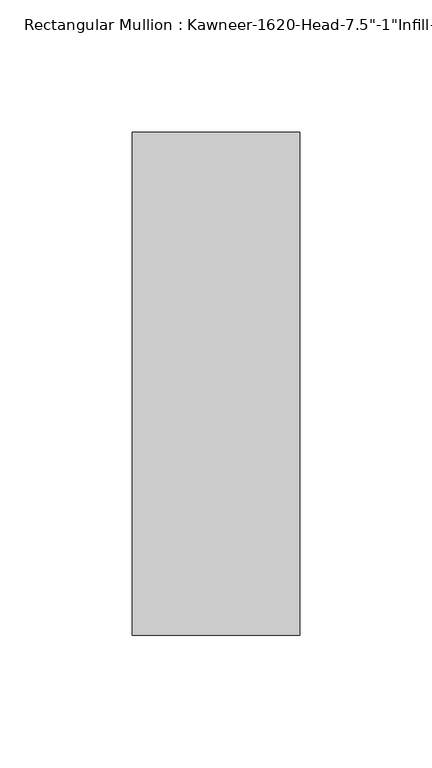
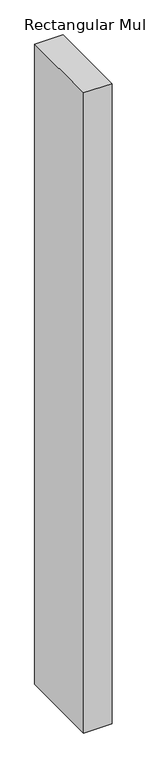
"""IFC4 building model written with IfcOpenShell, lengths in millimetres: member geometry."""

from ifc_helpers import new_model, si_unit, frame, origin, place, context, project, spatial, polyline, outline, extrude, source, transform, mapped, element, save


def member_db8a4414(model_context):
    return source(origin(), model_context, "Body", "SweptSolid", [
        extrude(outline(polyline([(-22.225, 38.1), (41.275, 38.1), (41.275, -152.4), (-22.225, -152.4), (-22.225, 38.1)])), frame((0.0, 0.0, -1518.5182369), z_axis=(0.0, 0.0, 1.0), x_axis=(1.0, 0.0, 0.0)), (0.0, 0.0, 1.0), 1518.5182369),
    ])


if __name__ == "__main__":
    model = new_model("IFC4")
    model_context = context("Model", 3, world=origin())
    ifc_project = project(units=[si_unit("LENGTHUNIT", "METRE", prefix="MILLI")], contexts=[model_context])
    site = spatial("IfcSite", under=ifc_project)
    building = spatial("IfcBuilding", under=site)
    placement = place(None, origin())
    member_shape = member_db8a4414(model_context)
    element("IfcMember", 1, ObjectType="Rectangular Mullion : Kawneer-1620-Head-7.5\"-1\"Infill-1A", at=placement, inside=building, context=model_context, shape_type="MappedRepresentation", body=[
        mapped(member_shape, transform((0.0, 0.0, 0.0), x_axis=(1.0, 0.0, 0.0), y_axis=(0.0, 1.0, 0.0), z_axis=(0.0, 0.0, 1.0))),
    ])
    save(model, "model.ifc")
